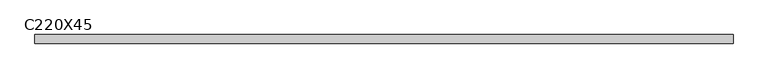
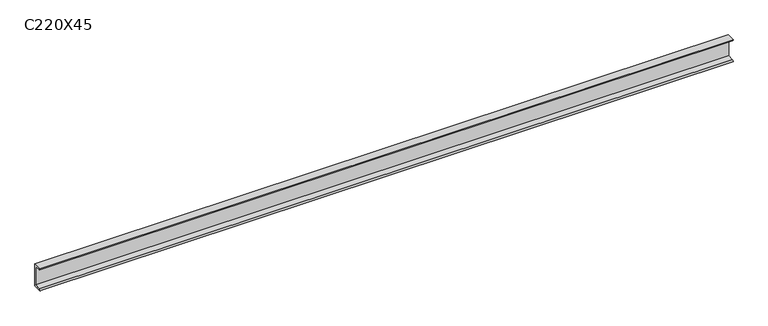
"""IFC4 building model written with IfcOpenShell, lengths in millimetres: beam geometry, C220X45."""

from ifc_helpers import new_model, si_unit, point, frame, frame_2d, origin, place, context, project, spatial, polyline, circle_curve, trimmed, segment, composite_curve, outline, extrude, source, transform, mapped, element, save


def c220x45_18a02212(model_context):
    return source(origin(), model_context, "Body", "SweptSolid", [
        extrude(outline(composite_curve([segment(polyline([(17.0, 110.0), (17.0, -110.0), (-64.0, -110.0)]), True, "CONTINUOUS"), segment(trimmed(circle_curve(frame_2d((-51.0, -110.0)), 13.0), [point((-64.0, -110.0))], [point((-51.0, -97.0))], False, "CARTESIAN"), True, "CONTINUOUS"), segment(polyline([(-51.0, -97.0), (4.0, -88.2888558), (4.0, 88.2888558), (-51.0, 97.0)]), True, "CONTINUOUS"), segment(trimmed(circle_curve(frame_2d((-51.0, 110.0)), 13.0), [point((-51.0, 97.0))], [point((-64.0, 110.0))], False, "CARTESIAN"), True, "CONTINUOUS"), segment(polyline([(-64.0, 110.0), (17.0, 110.0)]), True, "CONTINUOUS")], self_intersect=False)), frame((-3279.5, 0.0, 0.0), z_axis=(1.0, 0.0, 0.0), x_axis=(0.0, 1.0, 0.0)), (0.0, 0.0, 1.0), 6559.0),
    ])


if __name__ == "__main__":
    model = new_model("IFC4")
    model_context = context("Model", 3, world=origin())
    ifc_project = project(units=[si_unit("LENGTHUNIT", "METRE", prefix="MILLI")], contexts=[model_context])
    site = spatial("IfcSite", under=ifc_project)
    building = spatial("IfcBuilding", under=site)
    placement = place(None, origin())
    c220x45_shape = c220x45_18a02212(model_context)
    element("IfcBeam", 1, ObjectType="C220X45", at=placement, inside=building, context=model_context, shape_type="MappedRepresentation", body=[
        mapped(c220x45_shape, transform((0.0, 0.0, 0.0), x_axis=(1.0, 0.0, 0.0), y_axis=(0.0, 1.0, 0.0), z_axis=(0.0, 0.0, 1.0))),
    ])
    save(model, "model.ifc")
